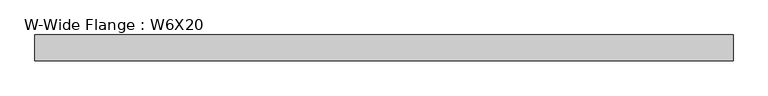
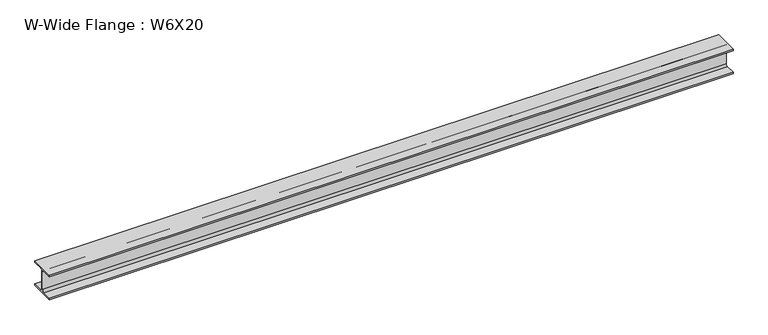
"""IFC4 building model written with IfcOpenShell, lengths in millimetres: beam geometry, W-Wide Flange : W6X20."""

from ifc_helpers import new_model, si_unit, point, frame, frame_2d, origin, place, context, project, spatial, polyline, circle_curve, trimmed, segment, composite_curve, outline, extrude, source, transform, mapped, element, save


def w_wide_flange_w6x20_b09f3fc0(model_context):
    return source(origin(), model_context, "Body", "SweptSolid", [
        extrude(outline(composite_curve([segment(polyline([(76.4480469, -69.5027344), (76.4480469, -78.7300781), (-76.4480469, -78.7300781), (-76.4480469, -69.5027344), (-16.3214844, -69.5027344)]), True, "CONTINUOUS"), segment(trimmed(circle_curve(frame_2d((-16.3214844, -56.5050781)), 12.9976563), [point((-16.3214844, -69.5027344))], [point((-3.3238281, -56.5050781))], True, "CARTESIAN"), True, "CONTINUOUS"), segment(polyline([(-3.3238281, -56.5050781), (-3.3238281, 56.5050781)]), True, "CONTINUOUS"), segment(trimmed(circle_curve(frame_2d((-16.3214844, 56.5050781)), 12.9976563), [point((-3.3238281, 56.5050781))], [point((-16.3214844, 69.5027344))], True, "CARTESIAN"), True, "CONTINUOUS"), segment(polyline([(-16.3214844, 69.5027344), (-76.4480469, 69.5027344), (-76.4480469, 78.7300781), (76.4480469, 78.7300781), (76.4480469, 69.5027344), (16.3214844, 69.5027344)]), True, "CONTINUOUS"), segment(trimmed(circle_curve(frame_2d((16.3214844, 56.5050781)), 12.9976563), [point((16.3214844, 69.5027344))], [point((3.3238281, 56.5050781))], True, "CARTESIAN"), True, "CONTINUOUS"), segment(polyline([(3.3238281, 56.5050781), (3.3238281, -56.5050781)]), True, "CONTINUOUS"), segment(trimmed(circle_curve(frame_2d((16.3214844, -56.5050781)), 12.9976563), [point((3.3238281, -56.5050781))], [point((16.3214844, -69.5027344))], True, "CARTESIAN"), True, "CONTINUOUS"), segment(polyline([(16.3214844, -69.5027344), (76.4480469, -69.5027344)]), True, "CONTINUOUS")], self_intersect=False)), frame((-2087.4449828, 0.0, 0.0), z_axis=(1.0, 0.0, 0.0), x_axis=(0.0, 1.0, 0.0)), (0.0, 0.0, 1.0), 4148.3585953),
    ])


if __name__ == "__main__":
    model = new_model("IFC4")
    model_context = context("Model", 3, world=origin())
    ifc_project = project(units=[si_unit("LENGTHUNIT", "METRE", prefix="MILLI")], contexts=[model_context])
    site = spatial("IfcSite", under=ifc_project)
    building = spatial("IfcBuilding", under=site)
    placement = place(None, origin())
    w_wide_flange_w6x20_shape = w_wide_flange_w6x20_b09f3fc0(model_context)
    element("IfcBeam", 1, ObjectType="W-Wide Flange : W6X20", at=placement, inside=building, context=model_context, shape_type="MappedRepresentation", body=[
        mapped(w_wide_flange_w6x20_shape, transform((0.0, 0.0, 0.0), x_axis=(1.0, 0.0, 0.0), y_axis=(0.0, 1.0, 0.0), z_axis=(0.0, 0.0, 1.0))),
    ])
    save(model, "model.ifc")
